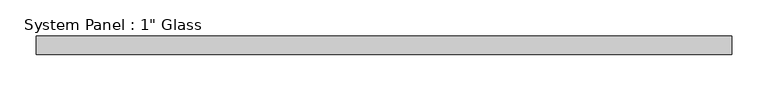
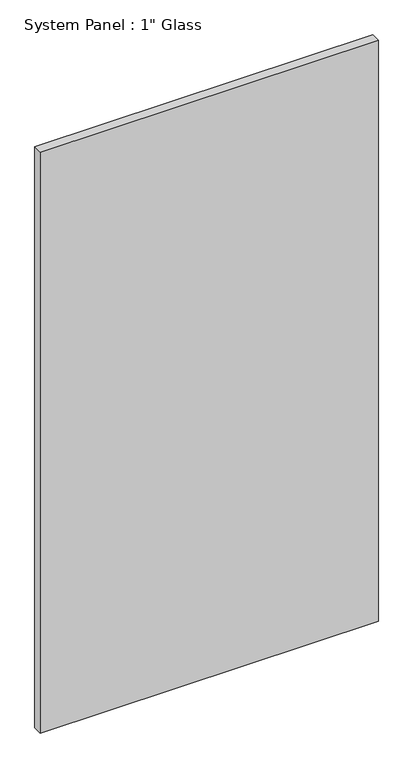
"""IFC4 building model written with IfcOpenShell, lengths in millimetres: plate geometry."""

from ifc_helpers import new_model, si_unit, origin, origin_with_axes, place, context, project, spatial, polyline, outline, extrude, source, transform, mapped, element, save


def plate_e47b968b(model_context):
    return source(origin(), model_context, "Body", "SweptSolid", [
        extrude(outline(polyline([(479.425, -12.7), (-479.425, -12.7), (-479.425, 12.7), (479.425, 12.7), (479.425, -12.7)])), origin_with_axes(), (0.0, 0.0, 1.0), 1739.9),
    ])


if __name__ == "__main__":
    model = new_model("IFC4")
    model_context = context("Model", 3, world=origin())
    ifc_project = project(units=[si_unit("LENGTHUNIT", "METRE", prefix="MILLI")], contexts=[model_context])
    site = spatial("IfcSite", under=ifc_project)
    building = spatial("IfcBuilding", under=site)
    placement = place(None, origin())
    plate_shape = plate_e47b968b(model_context)
    element("IfcPlate", 1, ObjectType="System Panel : 1\" Glass", at=placement, inside=building, context=model_context, shape_type="MappedRepresentation", body=[
        mapped(plate_shape, transform((0.0, 0.0, 0.0), x_axis=(1.0, 0.0, 0.0), y_axis=(0.0, 1.0, 0.0), z_axis=(0.0, 0.0, 1.0))),
    ])
    save(model, "model.ifc")
